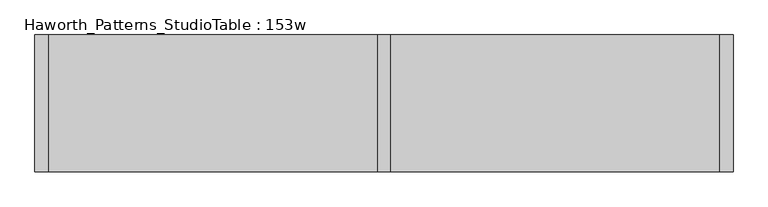
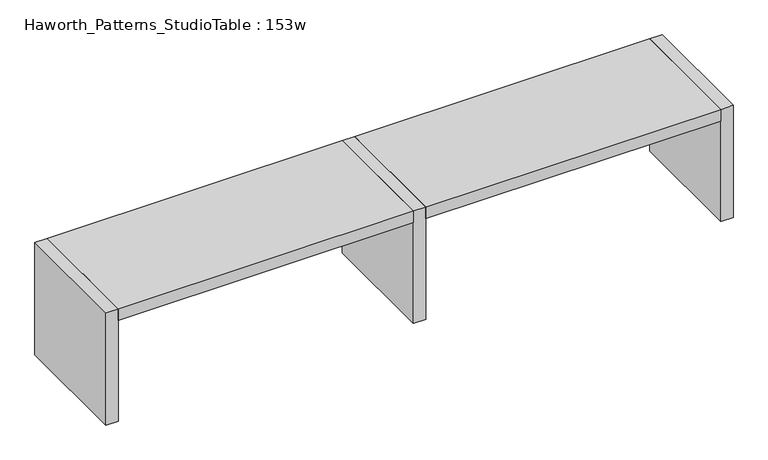
"""IFC4 building model written with IfcOpenShell, lengths in millimetres: furniture geometry, Haworth_Patterns_StudioTable : 153w."""

from ifc_helpers import new_model, si_unit, frame, origin, origin_with_axes, place, context, project, spatial, polyline, outline, extrude, source, transform, mapped, element, save


def haworth_patterns_studiotable_153w_3ba303db(model_context):
    return source(origin(), model_context, "Body", "SweptSolid", [
        extrude(outline(polyline([(1866.9, 0.0), (1866.9, -762.0), (38.1, -762.0), (38.1, 0.0), (1866.9, 0.0)])), frame((0.0, 0.0, 660.4), z_axis=(0.0, 0.0, 1.0), x_axis=(1.0, 0.0, 0.0)), (0.0, 0.0, 1.0), 76.2),
        extrude(outline(polyline([(-38.1, 0.0), (-38.1, -762.0), (-1866.9, -762.0), (-1866.9, 0.0), (-38.1, 0.0)])), frame((0.0, 0.0, 660.4), z_axis=(0.0, 0.0, 1.0), x_axis=(1.0, 0.0, 0.0)), (0.0, 0.0, 1.0), 76.2),
        extrude(outline(polyline([(-38.1, 0.0), (38.1, 0.0), (38.1, -762.0), (-38.1, -762.0), (-38.1, 0.0)])), origin_with_axes(), (0.0, 0.0, 1.0), 736.6),
        extrude(outline(polyline([(1866.9, 0.0), (1943.1, 0.0), (1943.1, -762.0), (1866.9, -762.0), (1866.9, 0.0)])), origin_with_axes(), (0.0, 0.0, 1.0), 736.6),
        extrude(outline(polyline([(-1866.9, 0.0), (-1866.9, -762.0), (-1943.1, -762.0), (-1943.1, 0.0), (-1866.9, 0.0)])), origin_with_axes(), (0.0, 0.0, 1.0), 736.6),
    ])


if __name__ == "__main__":
    model = new_model("IFC4")
    model_context = context("Model", 3, world=origin())
    ifc_project = project(units=[si_unit("LENGTHUNIT", "METRE", prefix="MILLI")], contexts=[model_context])
    site = spatial("IfcSite", under=ifc_project)
    building = spatial("IfcBuilding", under=site)
    placement = place(None, origin())
    haworth_patterns_studiotable_153w_shape = haworth_patterns_studiotable_153w_3ba303db(model_context)
    element("IfcFurniture", 1, ObjectType="Haworth_Patterns_StudioTable : 153w", at=placement, inside=building, context=model_context, shape_type="MappedRepresentation", body=[
        mapped(haworth_patterns_studiotable_153w_shape, transform((0.0, 0.0, 0.0), x_axis=(1.0, 0.0, 0.0), y_axis=(0.0, 1.0, 0.0), z_axis=(0.0, 0.0, 1.0))),
    ])
    save(model, "model.ifc")
